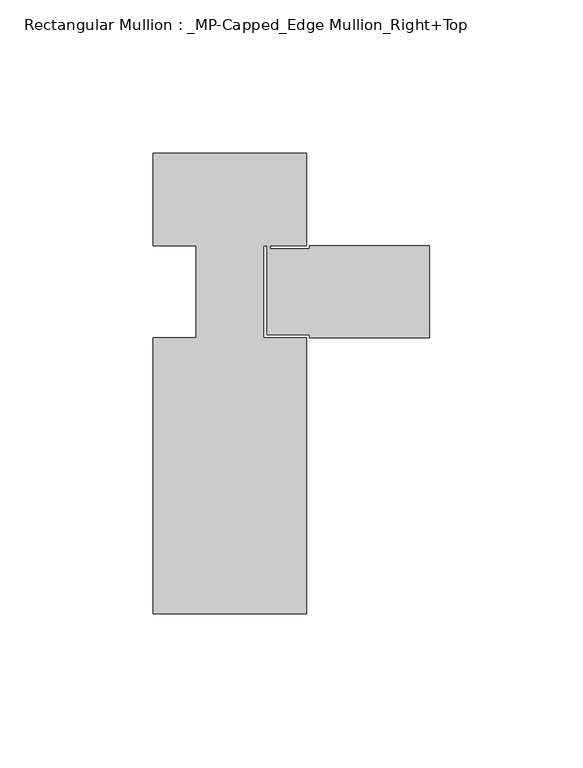
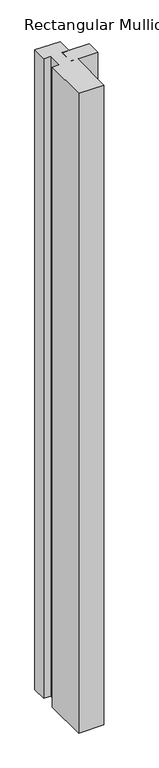
"""IFC4 building model written with IfcOpenShell, lengths in millimetres: member geometry, Rectangular Mullion : _MP-Capped_Edge Mullion_Right+Top."""

import ifcopenshell
import ifcopenshell.guid

model = None  # the IFC model being written
_history = None  # IfcOwnerHistory: only IFC2X3 demands one
_inside = {}  # id of a spatial element -> (the spatial element, [elements in it])
_under = {}  # id of a project, library or spatial element -> (it, [spatial elements below it])
_declared = {}  # id of a project -> (the project, [libraries it declares])
_typed = {}  # id of a type object -> (the type object, [elements of that type])
_made_of = {}  # id of a material, layer set ... -> (it, [elements and type objects made of it])


def new_model(schema):
    """Start an empty IFC model of exactly this schema.

    Asked for "IFC4X3", IfcOpenShell would pick the latest addendum, in which some entities
    have other attributes; the version numbers below select the first issue.
    IFC2X3 requires an IfcOwnerHistory on every rooted entity: one is made here for all.
    """
    global model, _history
    if schema == "IFC4X3":
        model = ifcopenshell.file(schema_version=(4, 3, 0, 0))
    else:
        model = ifcopenshell.file(schema=schema)
    _inside.clear()
    _under.clear()
    _declared.clear()
    _typed.clear()
    _made_of.clear()
    _history = None
    if model.schema == "IFC2X3":
        org = make("IfcOrganization", Name="unknown")
        user = make(
            "IfcPersonAndOrganization",
            ThePerson=make("IfcPerson", FamilyName="unknown"),
            TheOrganization=org,
        )
        app = make(
            "IfcApplication",
            ApplicationDeveloper=org,
            Version="unknown",
            ApplicationFullName="unknown",
            ApplicationIdentifier="unknown",
        )
        _history = make(
            "IfcOwnerHistory",
            OwningUser=user,
            OwningApplication=app,
            ChangeAction="ADDED",
            CreationDate=0,
        )
    return model


def make(cls, **values):
    """One entity of the class cls with the attributes given. An attribute that is None is left unset."""
    return model.create_entity(
        cls, **{name: value for name, value in values.items() if value is not None}
    )


def rooted(cls, **values):
    """An entity with a GlobalId (a new one), such as an element, a storey or a relation."""
    return make(cls, GlobalId=ifcopenshell.guid.new(), OwnerHistory=_history, **values)


def si_unit(unit_type, name, prefix=None):
    """IfcSIUnit, for example si_unit("LENGTHUNIT", "METRE", prefix="MILLI")."""
    return make("IfcSIUnit", UnitType=unit_type, Prefix=prefix, Name=name)


def assignment(units):
    """IfcUnitAssignment: the units of a project."""
    return None if units is None else make("IfcUnitAssignment", Units=units)


def point(xyz):
    """IfcCartesianPoint."""
    return None if xyz is None else make("IfcCartesianPoint", Coordinates=xyz)


def direction(xyz):
    """IfcDirection."""
    return None if xyz is None else make("IfcDirection", DirectionRatios=xyz)


def frame(location, z_axis=None, x_axis=None):
    """IfcAxis2Placement3D, a coordinate frame: its origin and axes. An axis left out is left unset."""
    return make(
        "IfcAxis2Placement3D",
        Location=point(location),
        Axis=direction(z_axis),
        RefDirection=direction(x_axis),
    )


def origin():
    """The frame at (0, 0, 0) with its axes left unset."""
    return frame((0.0, 0.0, 0.0))


def place(relative_to, where):
    """IfcLocalPlacement: puts the frame where relative to a parent placement (None: the world)."""
    return make(
        "IfcLocalPlacement", PlacementRelTo=relative_to, RelativePlacement=where
    )


def context(
    kind, dimensions, precision=None, world=None, true_north=None, identifier=None
):
    """IfcGeometricRepresentationContext, for example the 3D "Model" context."""
    return make(
        "IfcGeometricRepresentationContext",
        ContextIdentifier=identifier,
        ContextType=kind,
        CoordinateSpaceDimension=dimensions,
        Precision=precision,
        WorldCoordinateSystem=world,
        TrueNorth=true_north,
    )


def project(units=None, contexts=None):
    """IfcProject with its units and contexts."""
    return rooted(
        "IfcProject",
        Name="project",
        RepresentationContexts=contexts,
        UnitsInContext=assignment(units),
    )


def spatial(cls, under=None, at=None, **own):
    """A site, building, storey or space (cls), placed at a placement, below another one or the project."""
    s = rooted(cls, ObjectPlacement=at, **own)
    if under is not None:
        _under.setdefault(under.id(), (under, []))[1].append(s)
    return s


def polyline(points):
    """IfcPolyline through the points."""
    return make("IfcPolyline", Points=[point(p) for p in points])


def outline(outer, holes=None, kind="AREA"):
    """IfcArbitraryClosedProfileDef: a profile drawn as a closed curve; with holes, ...WithVoids."""
    if holes is None:
        return make("IfcArbitraryClosedProfileDef", ProfileType=kind, OuterCurve=outer)
    return make(
        "IfcArbitraryProfileDefWithVoids",
        ProfileType=kind,
        OuterCurve=outer,
        InnerCurves=holes,
    )


def extrude(swept, where, along, depth):
    """IfcExtrudedAreaSolid: the profile swept, set in the frame where, extruded along a direction by depth."""
    return make(
        "IfcExtrudedAreaSolid",
        SweptArea=swept,
        Position=where,
        ExtrudedDirection=direction(along),
        Depth=depth,
    )


def shape(context_of_items, identifier, shape_type, items):
    """IfcShapeRepresentation: the items that make up one representation, for example the "Body"."""
    return make(
        "IfcShapeRepresentation",
        ContextOfItems=context_of_items,
        RepresentationIdentifier=identifier,
        RepresentationType=shape_type,
        Items=items,
    )


def source(mapping_origin, context_of_items, identifier, shape_type, items):
    """IfcRepresentationMap: a shape defined once, which mapped items show again and again."""
    return make(
        "IfcRepresentationMap",
        MappingOrigin=mapping_origin,
        MappedRepresentation=shape(context_of_items, identifier, shape_type, items),
    )


def transform(
    local_origin,
    x_axis=None,
    y_axis=None,
    z_axis=None,
    scale=None,
    scale2=None,
    scale3=None,
    uniform=True,
):
    """IfcCartesianTransformationOperator3D, or its non-uniform kind. x_axis, y_axis, z_axis: its Axis1, 2, 3."""
    if uniform:
        return make(
            "IfcCartesianTransformationOperator3D",
            Axis1=direction(x_axis),
            Axis2=direction(y_axis),
            LocalOrigin=point(local_origin),
            Scale=scale,
            Axis3=direction(z_axis),
        )
    return make(
        "IfcCartesianTransformationOperator3DnonUniform",
        Axis1=direction(x_axis),
        Axis2=direction(y_axis),
        LocalOrigin=point(local_origin),
        Scale=scale,
        Axis3=direction(z_axis),
        Scale2=scale2,
        Scale3=scale3,
    )


def mapped(mapping_source, mapping_target):
    """IfcMappedItem: shows the shape of a source again, moved by a transform."""
    return make(
        "IfcMappedItem", MappingSource=mapping_source, MappingTarget=mapping_target
    )


def made_of(thing, what):
    """Note that an element or type object is made of a material, layer set ...; save() writes the relation."""
    if what is not None:
        _made_of.setdefault(what.id(), (what, []))[1].append(thing)
    return thing


def element(
    cls,
    number,
    at=None,
    inside=None,
    cuts=None,
    type_object=None,
    material=None,
    context=None,
    identifier="Body",
    shape_type=None,
    held_by="IfcProductDefinitionShape",
    body=None,
    shapes=None,
    **own,
):
    """One element of the class cls, such as IfcWall. Its Tag is "e" and its number.

    at: its placement. inside: the storey or other place that contains it. cuts: it is an
    opening in that element (IfcRelVoidsElement). A single representation is given by context,
    identifier, shape_type and body (its items); several are given by shapes. held_by: the class
    of the entity that holds the representations. save() writes the other relations.
    """
    e = rooted(cls, Tag="e%d" % number, ObjectPlacement=at, **own)
    if body is not None:
        shapes = [shape(context, identifier, shape_type, body)]
    if shapes is not None:
        e.Representation = make(held_by, Representations=shapes)
    if inside is not None:
        _inside.setdefault(inside.id(), (inside, []))[1].append(e)
    if cuts is not None:
        rooted(
            "IfcRelVoidsElement", RelatingBuildingElement=cuts, RelatedOpeningElement=e
        )
    if type_object is not None:
        _typed.setdefault(type_object.id(), (type_object, []))[1].append(e)
    return made_of(e, material)


def aggregate(whole, parts):
    """IfcRelAggregates: a whole, such as a stair, and the parts it consists of."""
    return rooted("IfcRelAggregates", RelatingObject=whole, RelatedObjects=parts)


def save(model, path):
    """Write the relations noted so far, then the file.

    IfcRelAggregates (storeys below a building ...), IfcRelContainedInSpatialStructure (elements
    in a storey), IfcRelDefinesByType, IfcRelAssociatesMaterial and IfcRelDeclares: one each for
    every whole, place, type object, material and project.
    """
    for whole, parts in _under.values():
        aggregate(whole, parts)
    for where, things in _inside.values():
        rooted(
            "IfcRelContainedInSpatialStructure",
            RelatedElements=things,
            RelatingStructure=where,
        )
    for kind, things in _typed.values():
        rooted("IfcRelDefinesByType", RelatedObjects=things, RelatingType=kind)
    for what, things in _made_of.values():
        rooted("IfcRelAssociatesMaterial", RelatedObjects=things, RelatingMaterial=what)
    for by, libraries in _declared.values():
        rooted("IfcRelDeclares", RelatingContext=by, RelatedDefinitions=libraries)
    model.write(path)


def rectangular_mullion_mp_capped_edge_mullion_right_top_758401c3(model_context):
    return source(origin(), model_context, "Body", "SweptSolid", [
        extrude(outline(polyline([(-40.0, 0.0), (-40.0, -30.0), (-52.0, -30.0), (-52.0, -31.0), (-39.0, -31.0), (-39.0, -30.0), (0.0, -30.0), (0.0, -60.0), (-39.0, -60.0), (-39.0, -59.0), (-53.0, -59.0), (-53.0, -30.0), (-54.0, -30.0), (-54.0, -60.0), (-40.0, -60.0), (-40.0, -150.0), (-90.0, -150.0), (-90.0, -60.0), (-76.0, -60.0), (-76.0, -30.0), (-90.0, -30.0), (-90.0, 0.0), (-40.0, 0.0)])), frame((0.0, 0.0, -1340.0), z_axis=(0.0, 0.0, 1.0), x_axis=(1.0, 0.0, 0.0)), (0.0, 0.0, 1.0), 1340.0),
    ])


if __name__ == "__main__":
    model = new_model("IFC4")
    model_context = context("Model", 3, world=origin())
    ifc_project = project(units=[si_unit("LENGTHUNIT", "METRE", prefix="MILLI")], contexts=[model_context])
    site = spatial("IfcSite", under=ifc_project)
    building = spatial("IfcBuilding", under=site)
    placement = place(None, origin())
    rectangular_mullion_mp_capped_edge_mullion_right_top_shape = rectangular_mullion_mp_capped_edge_mullion_right_top_758401c3(model_context)
    element("IfcMember", 1, ObjectType="Rectangular Mullion : _MP-Capped_Edge Mullion_Right+Top", at=placement, inside=building, context=model_context, shape_type="MappedRepresentation", body=[
        mapped(rectangular_mullion_mp_capped_edge_mullion_right_top_shape, transform((0.0, 0.0, 0.0), x_axis=(1.0, 0.0, 0.0), y_axis=(0.0, 1.0, 0.0), z_axis=(0.0, 0.0, 1.0))),
    ])
    save(model, "model.ifc")
